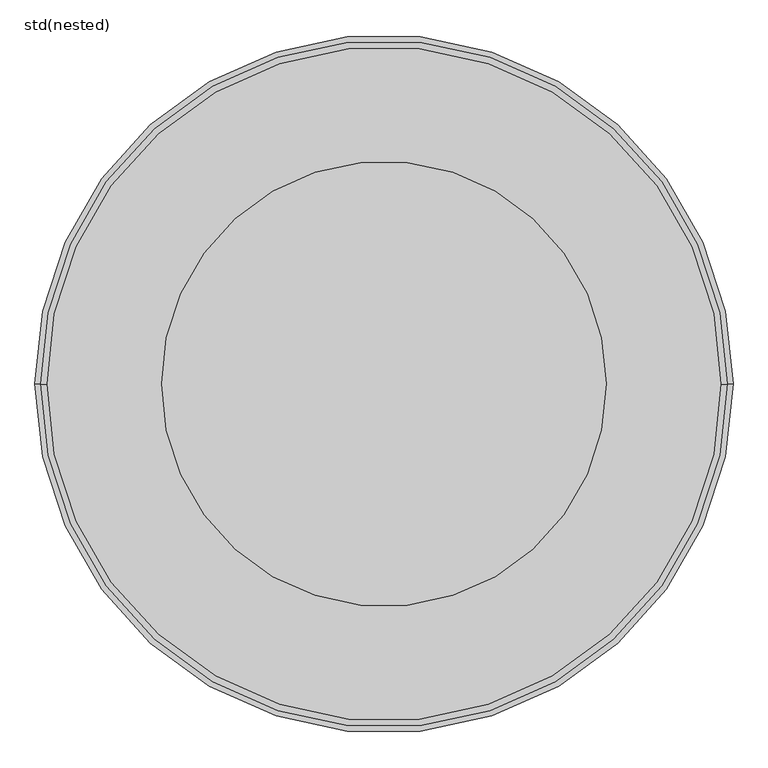
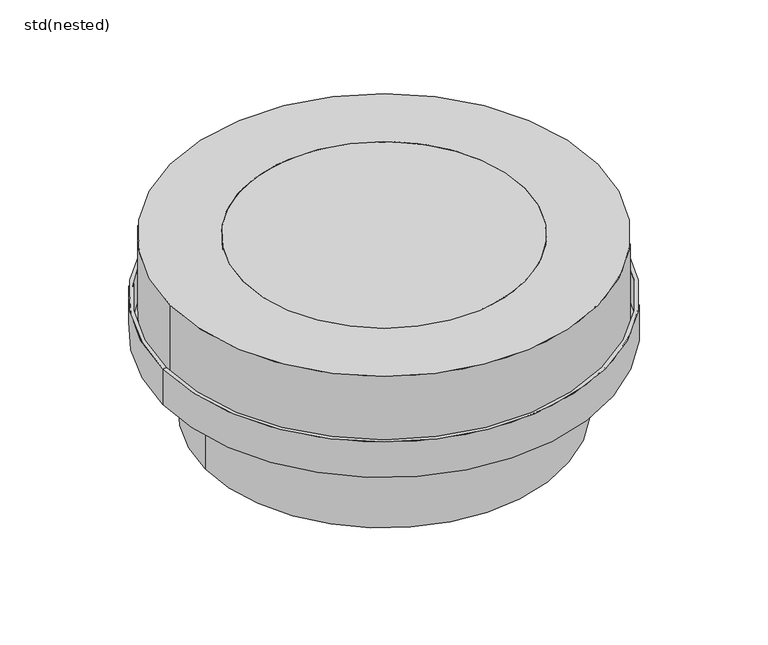
"""IFC4 building model written with IfcOpenShell, lengths in millimetres: unitary equipment geometry, std(nested)."""

from ifc_helpers import new_model, si_unit, point, frame, origin, origin_2d, place, context, project, spatial, polyline, circle_curve, trimmed, segment, composite_curve, outline, extrude, source, transform, mapped, element, save
from ifc_brep_helpers import plane_surface, cylinder_surface, revolved_surface, advanced_brep


def std_nested_c672b0ed(model_context):
    return source(origin(), model_context, "Body", "SolidModel", [
        advanced_brep(
        [(-510.0, 0.0, -150.0), (510.0, 0.0, -150.0), (518.0, 0.0, -150.0), (-518.0, 0.0, -150.0), (-510.0, 0.0, -230.0), (510.0, 0.0, -230.0), (-410.0, 0.0, -230.0), (410.0, 0.0, -230.0), (-410.0, 0.0, -433.0), (410.0, 0.0, -433.0), (-418.0, 0.0, -433.0), (418.0, 0.0, -433.0), (-418.0, 0.0, -238.0), (418.0, 0.0, -238.0), (-518.0, 0.0, -238.0), (518.0, 0.0, -238.0)],
        [
            (0, 1, circle_curve(frame((0.0, 0.0, -150.0), z_axis=(0.0, 0.0, -1.0), x_axis=(1.0, 0.0, 0.0)), 510.0)),
            (1, 2),
            (2, 3, circle_curve(frame((0.0, 0.0, -150.0), z_axis=(0.0, 0.0, 1.0), x_axis=(1.0, 0.0, 0.0)), 518.0)),
            (3, 0),
            (1, 0, circle_curve(frame((0.0, 0.0, -150.0), z_axis=(0.0, 0.0, -1.0), x_axis=(1.0, 0.0, 0.0)), 510.0)),
            (3, 2, circle_curve(frame((0.0, 0.0, -150.0), z_axis=(0.0, 0.0, 1.0), x_axis=(1.0, 0.0, 0.0)), 518.0)),
            (4, 5, circle_curve(frame((0.0, 0.0, -230.0), z_axis=(0.0, 0.0, -1.0), x_axis=(1.0, 0.0, 0.0)), 510.0)),
            (5, 1),
            (0, 4),
            (5, 4, circle_curve(frame((0.0, 0.0, -230.0), z_axis=(0.0, 0.0, -1.0), x_axis=(1.0, 0.0, 0.0)), 510.0)),
            (6, 7, circle_curve(frame((0.0, 0.0, -230.0), z_axis=(0.0, 0.0, -1.0), x_axis=(1.0, 0.0, 0.0)), 410.0)),
            (7, 5),
            (4, 6),
            (7, 6, circle_curve(frame((0.0, 0.0, -230.0), z_axis=(0.0, 0.0, -1.0), x_axis=(1.0, 0.0, 0.0)), 410.0)),
            (8, 9, circle_curve(frame((0.0, 0.0, -433.0), z_axis=(0.0, 0.0, -1.0), x_axis=(1.0, 0.0, 0.0)), 410.0)),
            (9, 7),
            (6, 8),
            (9, 8, circle_curve(frame((0.0, 0.0, -433.0), z_axis=(0.0, 0.0, -1.0), x_axis=(1.0, 0.0, 0.0)), 410.0)),
            (10, 11, circle_curve(frame((0.0, 0.0, -433.0), z_axis=(0.0, 0.0, -1.0), x_axis=(1.0, 0.0, 0.0)), 418.0)),
            (11, 9),
            (8, 10),
            (11, 10, circle_curve(frame((0.0, 0.0, -433.0), z_axis=(0.0, 0.0, -1.0), x_axis=(1.0, 0.0, 0.0)), 418.0)),
            (12, 13, circle_curve(frame((0.0, 0.0, -238.0), z_axis=(0.0, 0.0, -1.0), x_axis=(1.0, 0.0, 0.0)), 418.0)),
            (13, 11),
            (10, 12),
            (13, 12, circle_curve(frame((0.0, 0.0, -238.0), z_axis=(0.0, 0.0, -1.0), x_axis=(1.0, 0.0, 0.0)), 418.0)),
            (14, 15, circle_curve(frame((0.0, 0.0, -238.0), z_axis=(0.0, 0.0, -1.0), x_axis=(1.0, 0.0, 0.0)), 518.0)),
            (15, 13),
            (12, 14),
            (15, 14, circle_curve(frame((0.0, 0.0, -238.0), z_axis=(0.0, 0.0, -1.0), x_axis=(1.0, 0.0, 0.0)), 518.0)),
            (2, 15),
            (14, 3),
        ],
        [
            plane_surface(frame((0.0, 0.0, -150.0), z_axis=(0.0, 0.0, 1.0), x_axis=(1.0, 0.0, 0.0))),
            revolved_surface(polyline([(510.0, 0.0, -150.0), (510.0, 0.0, -230.0)]), (0.0, 0.0, 695.0), (0.0, 0.0, 1.0)),
            plane_surface(frame((0.0, 0.0, -230.0), z_axis=(0.0, 0.0, 1.0), x_axis=(1.0, 0.0, 0.0))),
            revolved_surface(polyline([(410.0, 0.0, -230.0), (410.0, 0.0, -433.0)]), (0.0, 0.0, 695.0), (0.0, 0.0, 1.0)),
            plane_surface(frame((0.0, 0.0, -433.0), z_axis=(0.0, 0.0, -1.0), x_axis=(1.0, 0.0, 0.0))),
            cylinder_surface(frame((0.0, 0.0, 695.0), z_axis=(0.0, 0.0, 1.0), x_axis=(1.0, 0.0, 0.0)), 418.0),
            plane_surface(frame((0.0, 0.0, -238.0), z_axis=(0.0, 0.0, -1.0), x_axis=(1.0, 0.0, 0.0))),
            cylinder_surface(frame((0.0, 0.0, 695.0), z_axis=(0.0, 0.0, 1.0), x_axis=(1.0, 0.0, 0.0)), 518.0),
        ],
        [
            (0, [[1, 2, 3, 4]]),
            (0, [[5, -4, 6, -2]]),
            (1, [[7, 8, -1, 9]]),
            (1, [[10, -9, -5, -8]]),
            (2, [[11, 12, -7, 13]]),
            (2, [[14, -13, -10, -12]]),
            (3, [[15, 16, -11, 17]]),
            (3, [[18, -17, -14, -16]]),
            (4, [[19, 20, -15, 21]]),
            (4, [[22, -21, -18, -20]]),
            (5, [[23, 24, -19, 25]]),
            (5, [[26, -25, -22, -24]]),
            (6, [[27, 28, -23, 29]]),
            (6, [[30, -29, -26, -28]]),
            (7, [[-3, 31, -27, 32]]),
            (7, [[-6, -32, -30, -31]]),
        ],
    ),
        extrude(outline(composite_curve([segment(trimmed(circle_curve(origin_2d(), 500.0), [point((-500.0, 0.0))], [point((500.0, 0.0))], False, "CARTESIAN"), True, "CONTINUOUS"), segment(trimmed(circle_curve(origin_2d(), 500.0), [point((500.0, 0.0))], [point((-500.0, 0.0))], False, "CARTESIAN"), True, "CONTINUOUS")], self_intersect=False), holes=[composite_curve([segment(trimmed(circle_curve(origin_2d(), 330.0), [point((-330.0, 0.0))], [point((330.0, 0.0))], True, "CARTESIAN"), True, "CONTINUOUS"), segment(trimmed(circle_curve(origin_2d(), 330.0), [point((330.0, 0.0))], [point((-330.0, 0.0))], True, "CARTESIAN"), True, "CONTINUOUS")], self_intersect=False)]), frame((0.0, 0.0, -200.1138553), z_axis=(0.0, 0.0, 1.0), x_axis=(1.0, 0.0, 0.0)), (0.0, 0.0, 1.0), 200.1138553),
        extrude(outline(composite_curve([segment(trimmed(circle_curve(origin_2d(), 330.0), [point((-330.0, 0.0))], [point((330.0, 0.0))], False, "CARTESIAN"), True, "CONTINUOUS"), segment(trimmed(circle_curve(origin_2d(), 330.0), [point((330.0, 0.0))], [point((-330.0, 0.0))], False, "CARTESIAN"), True, "CONTINUOUS")], self_intersect=False)), frame((0.0, 0.0, -185.8087682), z_axis=(0.0, 0.0, 1.0), x_axis=(1.0, 0.0, 0.0)), (0.0, 0.0, 1.0), 185.8087682),
    ])


if __name__ == "__main__":
    model = new_model("IFC4")
    model_context = context("Model", 3, world=origin())
    ifc_project = project(units=[si_unit("LENGTHUNIT", "METRE", prefix="MILLI")], contexts=[model_context])
    site = spatial("IfcSite", under=ifc_project)
    building = spatial("IfcBuilding", under=site)
    placement = place(None, origin())
    std_nested_shape = std_nested_c672b0ed(model_context)
    element("IfcUnitaryEquipment", 1, ObjectType="std(nested)", at=placement, inside=building, context=model_context, shape_type="MappedRepresentation", body=[
        mapped(std_nested_shape, transform((0.0, 0.0, 0.0), x_axis=(1.0, 0.0, 0.0), y_axis=(0.0, 1.0, 0.0), z_axis=(0.0, 0.0, 1.0))),
    ])
    save(model, "model.ifc")
